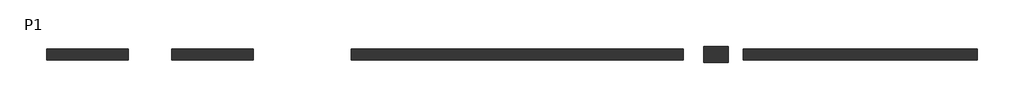
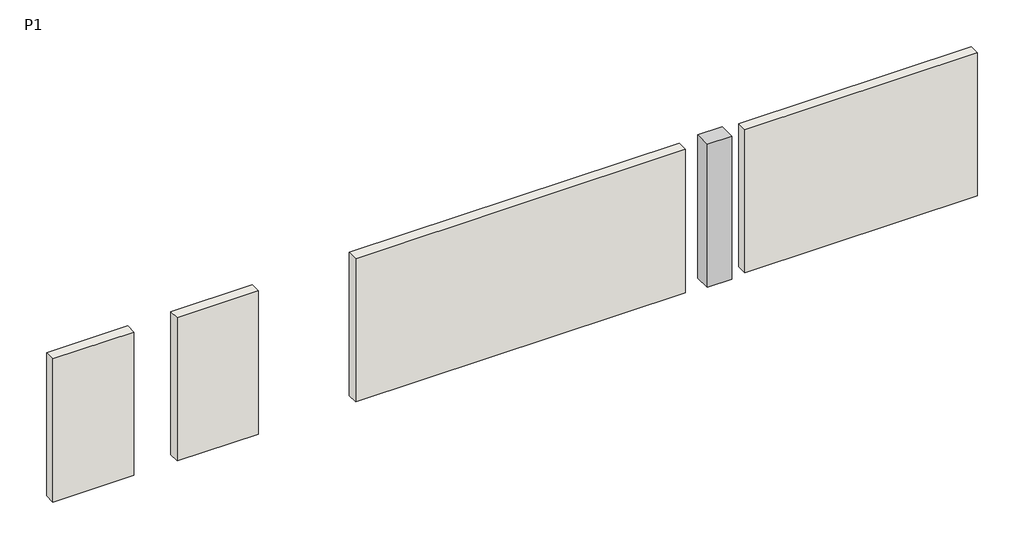
# One storey: 4 walls, 1 column.
"""IFC4 building model written with IfcOpenShell, lengths in millimetres."""

from ifc_helpers import new_model, si_unit, frame, origin, place, context, project, spatial, polyline, outline, extrude, element, save

model = new_model("IFC4")

# Units and contexts
model_context = context("Model", 3, world=origin())
ifc_project = project(units=[si_unit("LENGTHUNIT", "METRE", prefix="MILLI")], contexts=[model_context])

# Site, building, storey
site = spatial("IfcSite", under=ifc_project)
building = spatial("IfcBuilding", under=site)
storey = spatial("IfcBuildingStorey", under=building, Name="P1", Elevation=-2800.0)

# Column
placement = place(None, origin())
element("IfcColumn", 1, ObjectType="Concrete-Rectangular-Column : 300 x 450mm", at=placement, inside=storey, context=model_context, shape_type="SweptSolid", body=[
    extrude(outline(polyline([(3369.8659013, 11056.1906431), (2919.8659013, 11056.1906431), (2919.8659013, 11356.1906431), (3369.8659013, 11356.1906431), (3369.8659013, 11056.1906431)])), frame((0.0, 0.0, -2800.0), z_axis=(0.0, 0.0, 1.0), x_axis=(1.0, 0.0, 0.0)), (0.0, 0.0, 1.0), 2800.0),
])

# Walls
element("IfcWall", 2, ObjectType="Generic - 200mm", at=placement, inside=storey, context=model_context, shape_type="SweptSolid", body=[
    extrude(outline(polyline([(2544.8659013, 11106.1906431), (-3555.1340987, 11106.1906431), (-3555.1340987, 11306.1906431), (2544.8659013, 11306.1906431), (2544.8659013, 11106.1906431)])), frame((0.0, 0.0, -2800.0), z_axis=(0.0, 0.0, 1.0), x_axis=(1.0, 0.0, 0.0)), (0.0, 0.0, 1.0), 2800.0),
])
element("IfcWall", 3, ObjectType="Generic - 200mm", at=placement, inside=storey, context=model_context, shape_type="SweptSolid", body=[
    extrude(outline(polyline([(-5355.1340987, 11106.1906431), (-6855.1340987, 11106.1906431), (-6855.1340987, 11306.1906431), (-5355.1340987, 11306.1906431), (-5355.1340987, 11106.1906431)])), frame((0.0, 0.0, -2800.0), z_axis=(0.0, 0.0, 1.0), x_axis=(1.0, 0.0, 0.0)), (0.0, 0.0, 1.0), 2800.0),
])
element("IfcWall", 4, ObjectType="Generic - 200mm", at=placement, inside=storey, context=model_context, shape_type="SweptSolid", body=[
    extrude(outline(polyline([(7944.8659013, 11106.1906431), (3644.8659013, 11106.1906431), (3644.8659013, 11306.1906431), (7944.8659013, 11306.1906431), (7944.8659013, 11106.1906431)])), frame((0.0, 0.0, -2800.0), z_axis=(0.0, 0.0, 1.0), x_axis=(1.0, 0.0, 0.0)), (0.0, 0.0, 1.0), 2800.0),
])
element("IfcWall", 5, ObjectType="Generic - 200mm", at=placement, inside=storey, context=model_context, shape_type="SweptSolid", body=[
    extrude(outline(polyline([(-7655.1340987, 11106.1906431), (-9155.1340987, 11106.1906431), (-9155.1340987, 11306.1906431), (-7655.1340987, 11306.1906431), (-7655.1340987, 11106.1906431)])), frame((0.0, 0.0, -2800.0), z_axis=(0.0, 0.0, 1.0), x_axis=(1.0, 0.0, 0.0)), (0.0, 0.0, 1.0), 2800.0),
])

save(model, "model.ifc")
